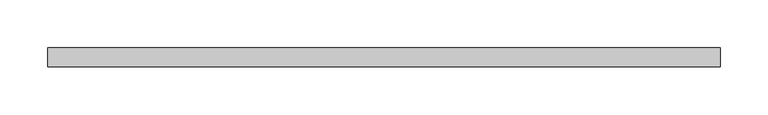
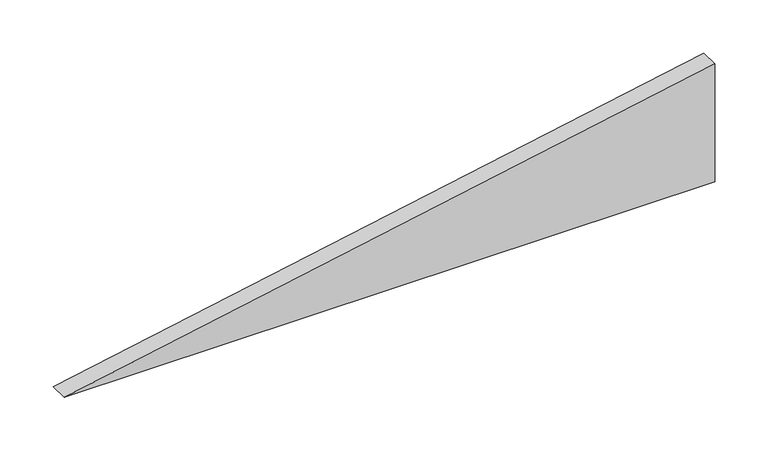
"""IFC4 building model written with IfcOpenShell, lengths in millimetres: plate geometry."""

from ifc_helpers import new_model, si_unit, frame, origin, place, context, project, spatial, polyline, outline, extrude, source, transform, mapped, element, save


def plate_cce480d4(model_context):
    return source(origin(), model_context, "Body", "SweptSolid", [
        extrude(outline(polyline([(0.0, -351.8630366), (0.0, 351.8630366), (134.6258575, 351.8630366), (0.0, -351.8630366)])), frame((0.0, 20.0, 0.0), z_axis=(0.0, 1.0, 0.0), x_axis=(0.0, 0.0, 1.0)), (0.0, 0.0, 1.0), 20.0),
    ])


if __name__ == "__main__":
    model = new_model("IFC4")
    model_context = context("Model", 3, world=origin())
    ifc_project = project(units=[si_unit("LENGTHUNIT", "METRE", prefix="MILLI")], contexts=[model_context])
    site = spatial("IfcSite", under=ifc_project)
    building = spatial("IfcBuilding", under=site)
    placement = place(None, origin())
    plate_shape = plate_cce480d4(model_context)
    element("IfcPlate", 1, at=placement, inside=building, context=model_context, shape_type="MappedRepresentation", body=[
        mapped(plate_shape, transform((0.0, 0.0, 0.0), x_axis=(1.0, 0.0, 0.0), y_axis=(0.0, 1.0, 0.0), z_axis=(0.0, 0.0, 1.0))),
    ])
    save(model, "model.ifc")
